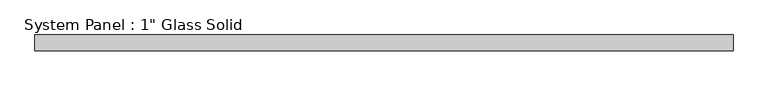
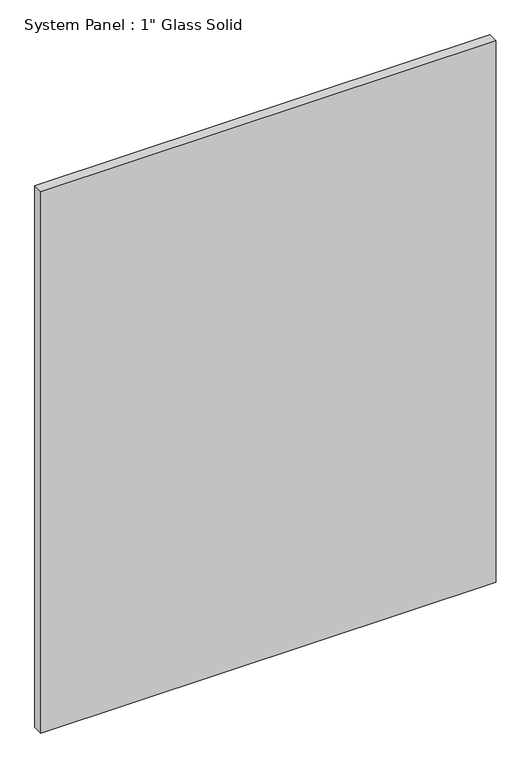
"""IFC4 building model written with IfcOpenShell, lengths in millimetres: plate geometry."""

from ifc_helpers import new_model, si_unit, origin, origin_with_axes, place, context, project, spatial, polyline, outline, extrude, source, transform, mapped, element, save


def plate_3c9ce6c8(model_context):
    return source(origin(), model_context, "Body", "SweptSolid", [
        extrude(outline(polyline([(562.5555865, -12.7), (-562.5555865, -12.7), (-562.5555865, 12.7), (562.5555865, 12.7), (562.5555865, -12.7)])), origin_with_axes(), (0.0, 0.0, 1.0), 1413.6241382),
    ])


if __name__ == "__main__":
    model = new_model("IFC4")
    model_context = context("Model", 3, world=origin())
    ifc_project = project(units=[si_unit("LENGTHUNIT", "METRE", prefix="MILLI")], contexts=[model_context])
    site = spatial("IfcSite", under=ifc_project)
    building = spatial("IfcBuilding", under=site)
    placement = place(None, origin())
    plate_shape = plate_3c9ce6c8(model_context)
    element("IfcPlate", 1, ObjectType="System Panel : 1\" Glass Solid", at=placement, inside=building, context=model_context, shape_type="MappedRepresentation", body=[
        mapped(plate_shape, transform((0.0, 0.0, 0.0), x_axis=(1.0, 0.0, 0.0), y_axis=(0.0, 1.0, 0.0), z_axis=(0.0, 0.0, 1.0))),
    ])
    save(model, "model.ifc")
